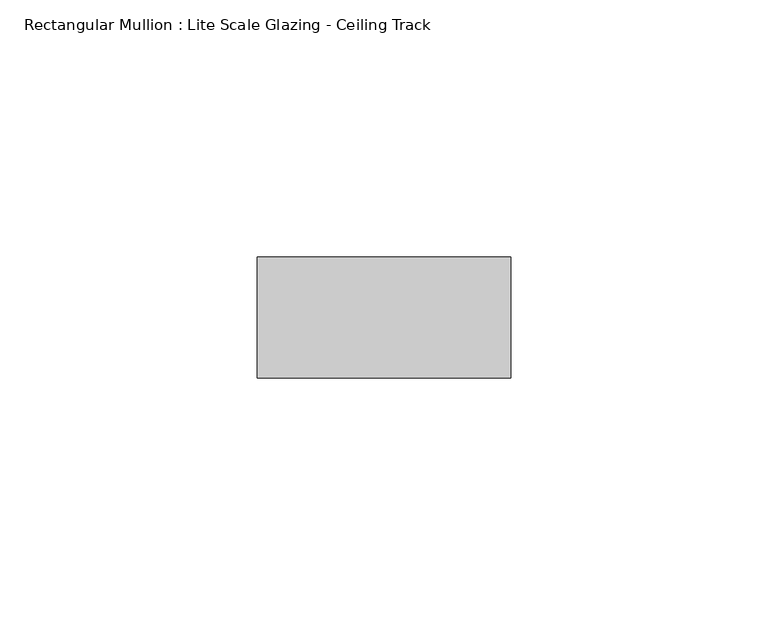
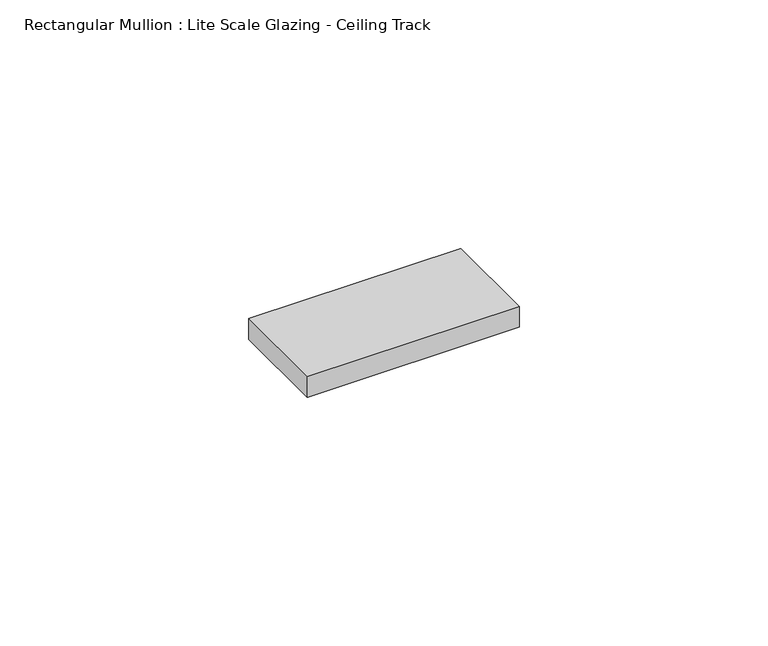
"""IFC4 building model written with IfcOpenShell, lengths in millimetres: member geometry, Rectangular Mullion : Lite Scale Glazing - Ceiling Track."""

import ifcopenshell
import ifcopenshell.guid

model = None  # the IFC model being written
_history = None  # IfcOwnerHistory: only IFC2X3 demands one
_inside = {}  # id of a spatial element -> (the spatial element, [elements in it])
_under = {}  # id of a project, library or spatial element -> (it, [spatial elements below it])
_declared = {}  # id of a project -> (the project, [libraries it declares])
_typed = {}  # id of a type object -> (the type object, [elements of that type])
_made_of = {}  # id of a material, layer set ... -> (it, [elements and type objects made of it])


def new_model(schema):
    """Start an empty IFC model of exactly this schema.

    Asked for "IFC4X3", IfcOpenShell would pick the latest addendum, in which some entities
    have other attributes; the version numbers below select the first issue.
    IFC2X3 requires an IfcOwnerHistory on every rooted entity: one is made here for all.
    """
    global model, _history
    if schema == "IFC4X3":
        model = ifcopenshell.file(schema_version=(4, 3, 0, 0))
    else:
        model = ifcopenshell.file(schema=schema)
    _inside.clear()
    _under.clear()
    _declared.clear()
    _typed.clear()
    _made_of.clear()
    _history = None
    if model.schema == "IFC2X3":
        org = make("IfcOrganization", Name="unknown")
        user = make(
            "IfcPersonAndOrganization",
            ThePerson=make("IfcPerson", FamilyName="unknown"),
            TheOrganization=org,
        )
        app = make(
            "IfcApplication",
            ApplicationDeveloper=org,
            Version="unknown",
            ApplicationFullName="unknown",
            ApplicationIdentifier="unknown",
        )
        _history = make(
            "IfcOwnerHistory",
            OwningUser=user,
            OwningApplication=app,
            ChangeAction="ADDED",
            CreationDate=0,
        )
    return model


def make(cls, **values):
    """One entity of the class cls with the attributes given. An attribute that is None is left unset."""
    return model.create_entity(
        cls, **{name: value for name, value in values.items() if value is not None}
    )


def rooted(cls, **values):
    """An entity with a GlobalId (a new one), such as an element, a storey or a relation."""
    return make(cls, GlobalId=ifcopenshell.guid.new(), OwnerHistory=_history, **values)


def si_unit(unit_type, name, prefix=None):
    """IfcSIUnit, for example si_unit("LENGTHUNIT", "METRE", prefix="MILLI")."""
    return make("IfcSIUnit", UnitType=unit_type, Prefix=prefix, Name=name)


def assignment(units):
    """IfcUnitAssignment: the units of a project."""
    return None if units is None else make("IfcUnitAssignment", Units=units)


def point(xyz):
    """IfcCartesianPoint."""
    return None if xyz is None else make("IfcCartesianPoint", Coordinates=xyz)


def direction(xyz):
    """IfcDirection."""
    return None if xyz is None else make("IfcDirection", DirectionRatios=xyz)


def frame(location, z_axis=None, x_axis=None):
    """IfcAxis2Placement3D, a coordinate frame: its origin and axes. An axis left out is left unset."""
    return make(
        "IfcAxis2Placement3D",
        Location=point(location),
        Axis=direction(z_axis),
        RefDirection=direction(x_axis),
    )


def origin():
    """The frame at (0, 0, 0) with its axes left unset."""
    return frame((0.0, 0.0, 0.0))


def place(relative_to, where):
    """IfcLocalPlacement: puts the frame where relative to a parent placement (None: the world)."""
    return make(
        "IfcLocalPlacement", PlacementRelTo=relative_to, RelativePlacement=where
    )


def context(
    kind, dimensions, precision=None, world=None, true_north=None, identifier=None
):
    """IfcGeometricRepresentationContext, for example the 3D "Model" context."""
    return make(
        "IfcGeometricRepresentationContext",
        ContextIdentifier=identifier,
        ContextType=kind,
        CoordinateSpaceDimension=dimensions,
        Precision=precision,
        WorldCoordinateSystem=world,
        TrueNorth=true_north,
    )


def project(units=None, contexts=None):
    """IfcProject with its units and contexts."""
    return rooted(
        "IfcProject",
        Name="project",
        RepresentationContexts=contexts,
        UnitsInContext=assignment(units),
    )


def spatial(cls, under=None, at=None, **own):
    """A site, building, storey or space (cls), placed at a placement, below another one or the project."""
    s = rooted(cls, ObjectPlacement=at, **own)
    if under is not None:
        _under.setdefault(under.id(), (under, []))[1].append(s)
    return s


def polyline(points):
    """IfcPolyline through the points."""
    return make("IfcPolyline", Points=[point(p) for p in points])


def outline(outer, holes=None, kind="AREA"):
    """IfcArbitraryClosedProfileDef: a profile drawn as a closed curve; with holes, ...WithVoids."""
    if holes is None:
        return make("IfcArbitraryClosedProfileDef", ProfileType=kind, OuterCurve=outer)
    return make(
        "IfcArbitraryProfileDefWithVoids",
        ProfileType=kind,
        OuterCurve=outer,
        InnerCurves=holes,
    )


def extrude(swept, where, along, depth):
    """IfcExtrudedAreaSolid: the profile swept, set in the frame where, extruded along a direction by depth."""
    return make(
        "IfcExtrudedAreaSolid",
        SweptArea=swept,
        Position=where,
        ExtrudedDirection=direction(along),
        Depth=depth,
    )


def shape(context_of_items, identifier, shape_type, items):
    """IfcShapeRepresentation: the items that make up one representation, for example the "Body"."""
    return make(
        "IfcShapeRepresentation",
        ContextOfItems=context_of_items,
        RepresentationIdentifier=identifier,
        RepresentationType=shape_type,
        Items=items,
    )


def source(mapping_origin, context_of_items, identifier, shape_type, items):
    """IfcRepresentationMap: a shape defined once, which mapped items show again and again."""
    return make(
        "IfcRepresentationMap",
        MappingOrigin=mapping_origin,
        MappedRepresentation=shape(context_of_items, identifier, shape_type, items),
    )


def transform(
    local_origin,
    x_axis=None,
    y_axis=None,
    z_axis=None,
    scale=None,
    scale2=None,
    scale3=None,
    uniform=True,
):
    """IfcCartesianTransformationOperator3D, or its non-uniform kind. x_axis, y_axis, z_axis: its Axis1, 2, 3."""
    if uniform:
        return make(
            "IfcCartesianTransformationOperator3D",
            Axis1=direction(x_axis),
            Axis2=direction(y_axis),
            LocalOrigin=point(local_origin),
            Scale=scale,
            Axis3=direction(z_axis),
        )
    return make(
        "IfcCartesianTransformationOperator3DnonUniform",
        Axis1=direction(x_axis),
        Axis2=direction(y_axis),
        LocalOrigin=point(local_origin),
        Scale=scale,
        Axis3=direction(z_axis),
        Scale2=scale2,
        Scale3=scale3,
    )


def mapped(mapping_source, mapping_target):
    """IfcMappedItem: shows the shape of a source again, moved by a transform."""
    return make(
        "IfcMappedItem", MappingSource=mapping_source, MappingTarget=mapping_target
    )


def made_of(thing, what):
    """Note that an element or type object is made of a material, layer set ...; save() writes the relation."""
    if what is not None:
        _made_of.setdefault(what.id(), (what, []))[1].append(thing)
    return thing


def element(
    cls,
    number,
    at=None,
    inside=None,
    cuts=None,
    type_object=None,
    material=None,
    context=None,
    identifier="Body",
    shape_type=None,
    held_by="IfcProductDefinitionShape",
    body=None,
    shapes=None,
    **own,
):
    """One element of the class cls, such as IfcWall. Its Tag is "e" and its number.

    at: its placement. inside: the storey or other place that contains it. cuts: it is an
    opening in that element (IfcRelVoidsElement). A single representation is given by context,
    identifier, shape_type and body (its items); several are given by shapes. held_by: the class
    of the entity that holds the representations. save() writes the other relations.
    """
    e = rooted(cls, Tag="e%d" % number, ObjectPlacement=at, **own)
    if body is not None:
        shapes = [shape(context, identifier, shape_type, body)]
    if shapes is not None:
        e.Representation = make(held_by, Representations=shapes)
    if inside is not None:
        _inside.setdefault(inside.id(), (inside, []))[1].append(e)
    if cuts is not None:
        rooted(
            "IfcRelVoidsElement", RelatingBuildingElement=cuts, RelatedOpeningElement=e
        )
    if type_object is not None:
        _typed.setdefault(type_object.id(), (type_object, []))[1].append(e)
    return made_of(e, material)


def aggregate(whole, parts):
    """IfcRelAggregates: a whole, such as a stair, and the parts it consists of."""
    return rooted("IfcRelAggregates", RelatingObject=whole, RelatedObjects=parts)


def save(model, path):
    """Write the relations noted so far, then the file.

    IfcRelAggregates (storeys below a building ...), IfcRelContainedInSpatialStructure (elements
    in a storey), IfcRelDefinesByType, IfcRelAssociatesMaterial and IfcRelDeclares: one each for
    every whole, place, type object, material and project.
    """
    for whole, parts in _under.values():
        aggregate(whole, parts)
    for where, things in _inside.values():
        rooted(
            "IfcRelContainedInSpatialStructure",
            RelatedElements=things,
            RelatingStructure=where,
        )
    for kind, things in _typed.values():
        rooted("IfcRelDefinesByType", RelatedObjects=things, RelatingType=kind)
    for what, things in _made_of.values():
        rooted("IfcRelAssociatesMaterial", RelatedObjects=things, RelatingMaterial=what)
    for by, libraries in _declared.values():
        rooted("IfcRelDeclares", RelatingContext=by, RelatedDefinitions=libraries)
    model.write(path)


def rectangular_mullion_lite_scale_glazing_ceiling_track_ec5422e2(model_context):
    return source(origin(), model_context, "Body", "SweptSolid", [
        extrude(outline(polyline([(-49.276, -11.7474999), (-49.276, 11.7474999), (0.0, 11.7474999), (0.0, -11.7474999), (-49.276, -11.7474999)])), frame((0.0, 0.0, -5.08), z_axis=(0.0, 0.0, 1.0), x_axis=(1.0, 0.0, 0.0)), (0.0, 0.0, 1.0), 5.08),
    ])


if __name__ == "__main__":
    model = new_model("IFC4")
    model_context = context("Model", 3, world=origin())
    ifc_project = project(units=[si_unit("LENGTHUNIT", "METRE", prefix="MILLI")], contexts=[model_context])
    site = spatial("IfcSite", under=ifc_project)
    building = spatial("IfcBuilding", under=site)
    placement = place(None, origin())
    rectangular_mullion_lite_scale_glazing_ceiling_track_shape = rectangular_mullion_lite_scale_glazing_ceiling_track_ec5422e2(model_context)
    element("IfcMember", 1, ObjectType="Rectangular Mullion : Lite Scale Glazing - Ceiling Track", at=placement, inside=building, context=model_context, shape_type="MappedRepresentation", body=[
        mapped(rectangular_mullion_lite_scale_glazing_ceiling_track_shape, transform((0.0, 0.0, 0.0), x_axis=(1.0, 0.0, 0.0), y_axis=(0.0, 1.0, 0.0), z_axis=(0.0, 0.0, 1.0))),
    ])
    save(model, "model.ifc")
